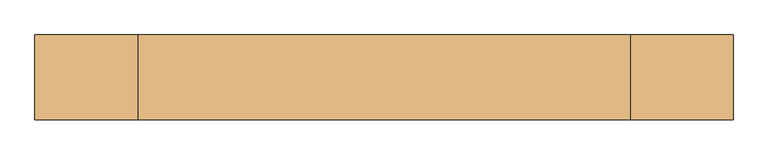
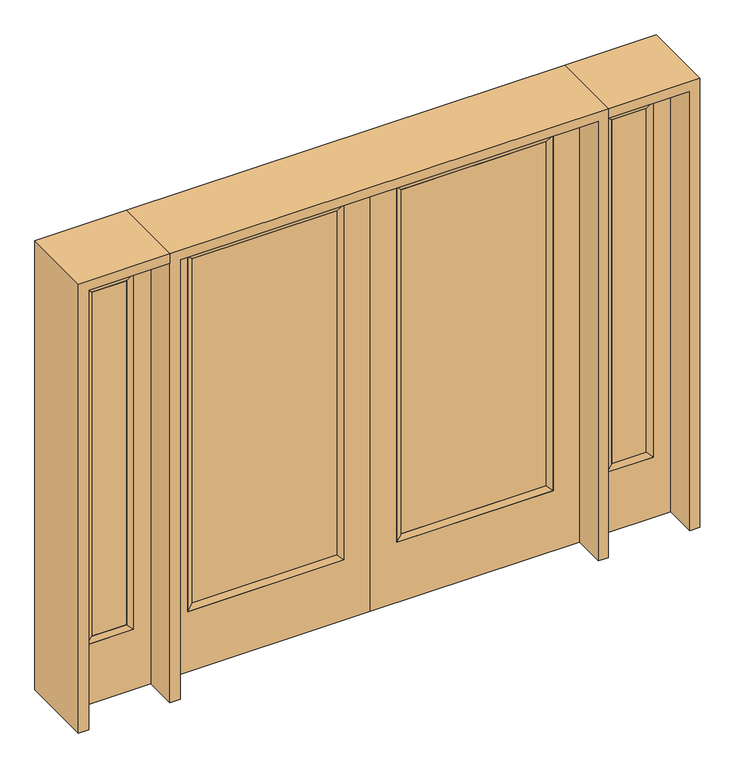
"""IFC4 building model written with IfcOpenShell, lengths in millimetres: door geometry."""

from ifc_helpers import new_model, si_unit, frame, origin, place, context, project, spatial, polyline, outline, extrude, faceted_brep, source, transform, mapped, element, save


def door_cef6da4d(model_context):
    return source(origin(), model_context, "Body", "SolidModel", [
        extrude(outline(polyline([(140.8176, -12.7039749), (140.8176, 14.2875), (773.5824, 14.2875), (773.5824, -12.7039749), (140.8176, -12.7039749)])), frame((0.0, 0.0, 304.8), z_axis=(0.0, 0.0, 1.0), x_axis=(1.0, 0.0, 0.0)), (0.0, 0.0, 1.0), 1590.675),
        faceted_brep([(140.8176, 14.2875, 1895.475), (140.8176, 14.2875, 304.8), (115.4176, 22.225, 279.4), (115.4176, 22.225, 1920.875), (115.4176, -22.225, 279.4), (115.4176, -22.225, 1920.875), (773.5824, 14.2875, 304.8), (798.9824, 22.225, 279.4), (140.8176, -12.7039749, 1895.475), (140.8176, -12.7039749, 304.8), (773.5824, -12.7039749, 304.8), (798.9824, -22.225, 279.4), (773.5824, 14.2875, 1895.475), (798.9824, 22.225, 1920.875), (773.5824, -12.7039749, 1895.475), (798.9824, -22.225, 1920.875)], [[[0, 1, 2, 3]], [[3, 2, 4, 5]], [[1, 6, 7, 2]], [[8, 9, 1, 0]], [[9, 10, 6, 1]], [[5, 4, 9, 8]], [[4, 11, 10, 9]], [[2, 7, 11, 4]], [[6, 12, 13, 7]], [[10, 14, 12, 6]], [[11, 15, 14, 10]], [[7, 13, 15, 11]], [[12, 0, 3, 13]], [[14, 8, 0, 12]], [[15, 5, 8, 14]], [[13, 3, 5, 15]]]),
        extrude(outline(polyline([(0.0, 914.4), (2032.0, 914.4), (2032.0, 0.0), (0.0, 0.0), (0.0, 914.4)]), holes=[polyline([(279.4, 798.9824), (279.4, 115.4176), (1920.875, 115.4176), (1920.875, 798.9824), (279.4, 798.9824)])]), frame((0.0, -22.225, 0.0), z_axis=(0.0, 1.0, 0.0), x_axis=(0.0, 0.0, 1.0)), (0.0, 0.0, 1.0), 44.45),
        extrude(outline(polyline([(-140.8176, -12.7039749), (-773.5824, -12.7039749), (-773.5824, 14.2875), (-140.8176, 14.2875), (-140.8176, -12.7039749)])), frame((0.0, 0.0, 304.8), z_axis=(0.0, 0.0, 1.0), x_axis=(1.0, 0.0, 0.0)), (0.0, 0.0, 1.0), 1590.675),
        faceted_brep([(-140.8176, 14.2875, 1895.475), (-115.4176, 22.225, 1920.875), (-115.4176, 22.225, 279.4), (-140.8176, 14.2875, 304.8), (-115.4176, -22.225, 1920.875), (-115.4176, -22.225, 279.4), (-798.9824, 22.225, 279.4), (-773.5824, 14.2875, 304.8), (-140.8176, -12.7039749, 1895.475), (-140.8176, -12.7039749, 304.8), (-773.5824, -12.7039749, 304.8), (-798.9824, -22.225, 279.4), (-798.9824, 22.225, 1920.875), (-773.5824, 14.2875, 1895.475), (-773.5824, -12.7039749, 1895.475), (-798.9824, -22.225, 1920.875)], [[[0, 1, 2, 3]], [[1, 4, 5, 2]], [[3, 2, 6, 7]], [[8, 0, 3, 9]], [[9, 3, 7, 10]], [[4, 8, 9, 5]], [[5, 9, 10, 11]], [[2, 5, 11, 6]], [[7, 6, 12, 13]], [[10, 7, 13, 14]], [[11, 10, 14, 15]], [[6, 11, 15, 12]], [[13, 12, 1, 0]], [[14, 13, 0, 8]], [[15, 14, 8, 4]], [[12, 15, 4, 1]]]),
        extrude(outline(polyline([(0.0, -914.4), (0.0, 0.0), (2032.0, 0.0), (2032.0, -914.4), (0.0, -914.4)]), holes=[polyline([(279.4, -798.9824), (1920.875, -798.9824), (1920.875, -115.4176), (279.4, -115.4176), (279.4, -798.9824)])]), frame((0.0, -22.225, 0.0), z_axis=(0.0, 1.0, 0.0), x_axis=(0.0, 0.0, 1.0)), (0.0, 0.0, 1.0), 44.45),
        faceted_brep([(1035.05, 20.6375, 1920.875), (1035.05, 20.6375, 279.4), (1035.05, -20.6375, 279.4), (1035.05, -20.6375, 1920.875), (1060.45, -12.7, 304.8), (1060.45, -12.7, 1895.475), (1238.25, 20.6375, 279.4), (1238.25, -20.6375, 279.4), (1060.45, 12.7, 1895.475), (1060.45, 12.7, 304.8), (1212.85, 12.7, 304.8), (1212.85, -12.7, 304.8), (1238.25, 20.6375, 1920.875), (1238.25, -20.6375, 1920.875), (1212.85, 12.7, 1895.475), (1212.85, -12.7, 1895.475)], [[[0, 1, 2, 3]], [[3, 2, 4, 5]], [[1, 6, 7, 2]], [[8, 9, 1, 0]], [[9, 10, 6, 1]], [[5, 4, 9, 8]], [[4, 11, 10, 9]], [[2, 7, 11, 4]], [[6, 12, 13, 7]], [[10, 14, 12, 6]], [[11, 15, 14, 10]], [[7, 13, 15, 11]], [[12, 0, 3, 13]], [[14, 8, 0, 12]], [[15, 5, 8, 14]], [[13, 3, 5, 15]]]),
        extrude(outline(polyline([(0.0, 1314.45), (2032.0, 1314.45), (2032.0, 958.85), (0.0, 958.85), (0.0, 1314.45)]), holes=[polyline([(1920.875, 1035.05), (1920.875, 1238.25), (279.4, 1238.25), (279.4, 1035.05), (1920.875, 1035.05)])]), frame((0.0, -20.6375, 0.0), z_axis=(0.0, 1.0, 0.0), x_axis=(0.0, 0.0, 1.0)), (0.0, 0.0, 1.0), 41.275),
        extrude(outline(polyline([(1060.45, -12.7), (1060.45, 12.7), (1212.85, 12.7), (1212.85, -12.7), (1060.45, -12.7)])), frame((0.0, 0.0, 304.8), z_axis=(0.0, 0.0, 1.0), x_axis=(1.0, 0.0, 0.0)), (0.0, 0.0, 1.0), 1590.675),
        faceted_brep([(-1035.05, 20.6375, 1920.875), (-1035.05, -20.6375, 1920.875), (-1035.05, -20.6375, 279.4), (-1035.05, 20.6375, 279.4), (-1060.45, -12.7, 1895.475), (-1060.45, -12.7, 304.8), (-1238.25, -20.6375, 279.4), (-1238.25, 20.6375, 279.4), (-1060.45, 12.7, 1895.475), (-1060.45, 12.7, 304.8), (-1212.85, 12.7, 304.8), (-1212.85, -12.7, 304.8), (-1238.25, -20.6375, 1920.875), (-1238.25, 20.6375, 1920.875), (-1212.85, 12.7, 1895.475), (-1212.85, -12.7, 1895.475)], [[[0, 1, 2, 3]], [[1, 4, 5, 2]], [[3, 2, 6, 7]], [[8, 0, 3, 9]], [[9, 3, 7, 10]], [[4, 8, 9, 5]], [[5, 9, 10, 11]], [[2, 5, 11, 6]], [[7, 6, 12, 13]], [[10, 7, 13, 14]], [[11, 10, 14, 15]], [[6, 11, 15, 12]], [[13, 12, 1, 0]], [[14, 13, 0, 8]], [[15, 14, 8, 4]], [[12, 15, 4, 1]]]),
        extrude(outline(polyline([(0.0, -1314.45), (0.0, -958.85), (2032.0, -958.85), (2032.0, -1314.45), (0.0, -1314.45)]), holes=[polyline([(1920.875, -1035.05), (279.4, -1035.05), (279.4, -1238.25), (1920.875, -1238.25), (1920.875, -1035.05)])]), frame((0.0, -20.6375, 0.0), z_axis=(0.0, 1.0, 0.0), x_axis=(0.0, 0.0, 1.0)), (0.0, 0.0, 1.0), 41.275),
        extrude(outline(polyline([(-1060.45, -12.7), (-1212.85, -12.7), (-1212.85, 12.7), (-1060.45, 12.7), (-1060.45, -12.7)])), frame((0.0, 0.0, 304.8), z_axis=(0.0, 0.0, 1.0), x_axis=(1.0, 0.0, 0.0)), (0.0, 0.0, 1.0), 1590.675),
        extrude(outline(polyline([(2032.0, -958.85), (2076.45, -958.85), (2076.45, -1358.9), (0.0, -1358.9), (0.0, -1314.45), (2032.0, -1314.45), (2032.0, -958.85)])), frame((0.0, -165.1, 0.0), z_axis=(0.0, 1.0, 0.0), x_axis=(0.0, 0.0, 1.0)), (0.0, 0.0, 1.0), 330.2),
        extrude(outline(polyline([(2076.45, -958.85), (0.0, -958.85), (0.0, -914.4), (2032.0, -914.4), (2032.0, 914.4), (0.0, 914.4), (0.0, 958.85), (2076.45, 958.85), (2076.45, -958.85)])), frame((0.0, -165.1, 0.0), z_axis=(0.0, 1.0, 0.0), x_axis=(0.0, 0.0, 1.0)), (0.0, 0.0, 1.0), 330.2),
        extrude(outline(polyline([(0.0, 1314.45), (0.0, 1358.9), (2076.45, 1358.9), (2076.45, 958.85), (2032.0, 958.85), (2032.0, 1314.45), (0.0, 1314.45)])), frame((0.0, -165.1, 0.0), z_axis=(0.0, 1.0, 0.0), x_axis=(0.0, 0.0, 1.0)), (0.0, 0.0, 1.0), 330.2),
    ])


if __name__ == "__main__":
    model = new_model("IFC4")
    model_context = context("Model", 3, world=origin())
    ifc_project = project(units=[si_unit("LENGTHUNIT", "METRE", prefix="MILLI")], contexts=[model_context])
    site = spatial("IfcSite", under=ifc_project)
    building = spatial("IfcBuilding", under=site)
    placement = place(None, origin())
    door_shape = door_cef6da4d(model_context)
    element("IfcDoor", 1, at=placement, inside=building, context=model_context, shape_type="MappedRepresentation", body=[
        mapped(door_shape, transform((0.0, 0.0, 0.0), x_axis=(1.0, 0.0, 0.0), y_axis=(0.0, 1.0, 0.0), z_axis=(0.0, 0.0, 1.0))),
    ])
    save(model, "model.ifc")
